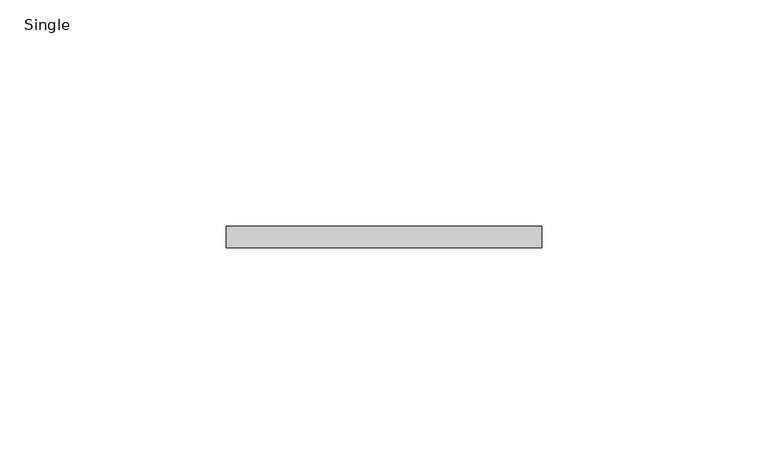
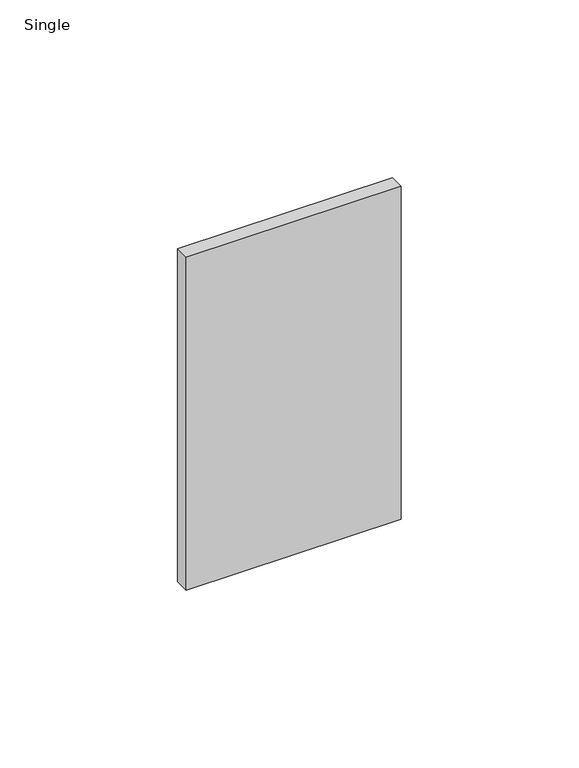
"""IFC4 building model written with IfcOpenShell, lengths in millimetres: proxy geometry, Single."""

from ifc_helpers import new_model, si_unit, frame, origin, place, context, project, spatial, polyline, outline, extrude, source, transform, mapped, element, save


def single_38b39737(model_context):
    return source(origin(), model_context, "Body", "SweptSolid", [
        extrude(outline(polyline([(34.925, 69.85), (-34.925, 69.85), (-34.925, 74.6125), (34.925, 74.6125), (34.925, 69.85)])), frame((0.0, 0.0, 247.65), z_axis=(0.0, 0.0, 1.0), x_axis=(1.0, 0.0, 0.0)), (0.0, 0.0, 1.0), 114.3),
    ])


if __name__ == "__main__":
    model = new_model("IFC4")
    model_context = context("Model", 3, world=origin())
    ifc_project = project(units=[si_unit("LENGTHUNIT", "METRE", prefix="MILLI")], contexts=[model_context])
    site = spatial("IfcSite", under=ifc_project)
    building = spatial("IfcBuilding", under=site)
    placement = place(None, origin())
    single_shape = single_38b39737(model_context)
    element("IfcBuildingElementProxy", 1, Name="Single", ObjectType="Single", at=placement, inside=building, context=model_context, shape_type="MappedRepresentation", body=[
        mapped(single_shape, transform((0.0, 0.0, 0.0), x_axis=(1.0, 0.0, 0.0), y_axis=(0.0, 1.0, 0.0), z_axis=(0.0, 0.0, 1.0))),
    ])
    save(model, "model.ifc")
